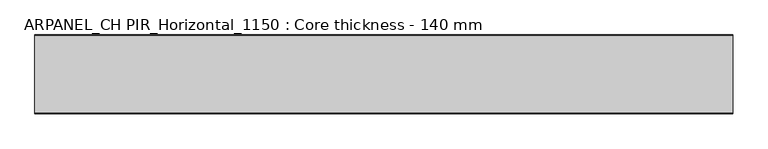
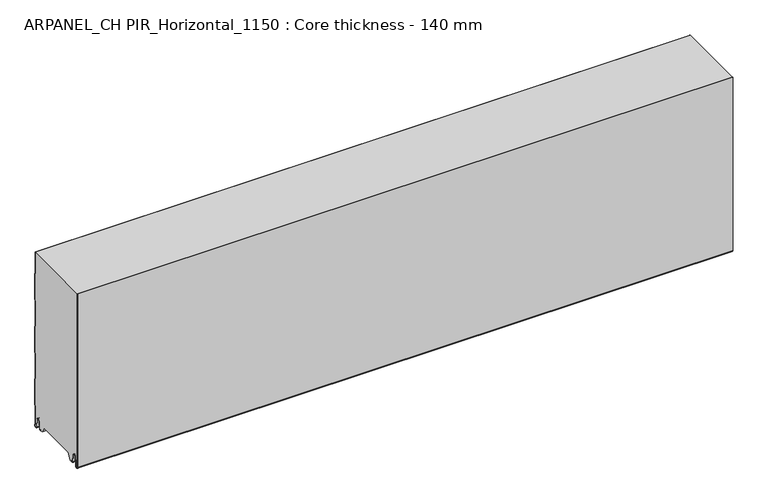
"""IFC4 building model written with IfcOpenShell, lengths in millimetres: plate geometry, ARPANEL_CH PIR_Horizontal_1150 : Core thickness - 140 mm."""

from ifc_helpers import new_model, si_unit, frame, origin, place, context, project, spatial, polyline, circle_curve, source, transform, mapped, element, save
from ifc_brep_helpers import plane_surface, cylinder_surface, revolved_surface, advanced_brep


def arpanel_ch_pir_horizontal_1150_core_thickness_140_mm_b8ecb5e9(model_context):
    return source(origin(), model_context, "Body", "AdvancedBrep", [
        advanced_brep(
        [(620.0, -139.9996949, 3.0900682), (620.0, -133.81449, 2.7875612), (620.0, -132.197116, 19.2828169), (620.0, -129.1776715, 21.9898782), (620.0, -126.1582271, 19.2828169), (620.0, -124.7725998, 5.1510966), (620.0, -120.3830995, 5.365779), (620.0, -121.1830995, 5.365779), (620.0, -123.9764178, 5.2291629), (620.0, -125.3620451, 19.3608832), (620.0, -129.1776715, 22.7899182), (620.0, -132.9932979, 19.3608832), (620.0, -134.6106719, 2.8656275), (620.0, -139.1996949, 3.0900682), (620.0, -139.2, 350.0), (620.0, -139.9996949, 350.0), (-620.0, -139.1996949, 3.0900682), (-620.0, -134.6106719, 2.8656275), (-620.0, -132.9932979, 19.3608832), (-620.0, -129.1776715, 22.7899182), (-620.0, -125.3620451, 19.3608832), (-620.0, -123.9764178, 5.2291629), (-620.0, -121.1830995, 5.365779), (-620.0, -120.3830995, 5.365779), (-620.0, -124.7725998, 5.1510966), (-620.0, -126.1582271, 19.2828169), (-620.0, -129.1776715, 21.9898782), (-620.0, -132.197116, 19.2828169), (-620.0, -133.81449, 2.7875612), (-620.0, -139.9996949, 3.0900682), (-620.0, -139.9996949, 350.0), (-620.0, -139.2, 350.0)],
        [
            (0, 1, circle_curve(frame((620.0, -136.8996949, 3.0900682), z_axis=(1.0, 0.0, 0.0), x_axis=(0.0, 0.0, -1.0)), 3.1)),
            (1, 2),
            (2, 3, circle_curve(frame((620.0, -129.2114338, 18.9900682), z_axis=(-1.0, 0.0, 0.0), x_axis=(0.0, 0.0, -1.0)), 3.0)),
            (3, 4, circle_curve(frame((620.0, -129.1439093, 18.9900682), z_axis=(-1.0, 0.0, 0.0), x_axis=(0.0, 0.0, -1.0)), 3.0)),
            (4, 5),
            (5, 6, circle_curve(frame((620.0, -122.5830995, 5.365779), z_axis=(1.0, 0.0, 0.0), x_axis=(0.0, 0.0, -1.0)), 2.2)),
            (6, 7),
            (7, 8, circle_curve(frame((620.0, -122.5830995, 5.365779), z_axis=(-1.0, 0.0, 0.0), x_axis=(0.0, 0.0, -1.0)), 1.4)),
            (8, 9),
            (9, 10, circle_curve(frame((620.0, -129.1439093, 18.9900682), z_axis=(1.0, 0.0, 0.0), x_axis=(0.0, 0.0, -1.0)), 3.8)),
            (10, 11, circle_curve(frame((620.0, -129.2114338, 18.9900682), z_axis=(1.0, 0.0, 0.0), x_axis=(0.0, 0.0, -1.0)), 3.8)),
            (11, 12),
            (12, 13, circle_curve(frame((620.0, -136.8996949, 3.0900682), z_axis=(-1.0, 0.0, 0.0), x_axis=(0.0, 0.0, -1.0)), 2.3)),
            (13, 14),
            (14, 15),
            (15, 0),
            (16, 17, circle_curve(frame((-620.0, -136.8996949, 3.0900682), z_axis=(1.0, 0.0, 0.0), x_axis=(0.0, 0.0, -1.0)), 2.3)),
            (17, 18),
            (18, 19, circle_curve(frame((-620.0, -129.2114338, 18.9900682), z_axis=(-1.0, 0.0, 0.0), x_axis=(0.0, 0.0, -1.0)), 3.8)),
            (19, 20, circle_curve(frame((-620.0, -129.1439093, 18.9900682), z_axis=(-1.0, 0.0, 0.0), x_axis=(0.0, 0.0, -1.0)), 3.8)),
            (20, 21),
            (21, 22, circle_curve(frame((-620.0, -122.5830995, 5.365779), z_axis=(1.0, 0.0, 0.0), x_axis=(0.0, 0.0, -1.0)), 1.4)),
            (22, 23),
            (23, 24, circle_curve(frame((-620.0, -122.5830995, 5.365779), z_axis=(-1.0, 0.0, 0.0), x_axis=(0.0, 0.0, -1.0)), 2.2)),
            (24, 25),
            (25, 26, circle_curve(frame((-620.0, -129.1439093, 18.9900682), z_axis=(1.0, 0.0, 0.0), x_axis=(0.0, 0.0, -1.0)), 3.0)),
            (26, 27, circle_curve(frame((-620.0, -129.2114338, 18.9900682), z_axis=(1.0, 0.0, 0.0), x_axis=(0.0, 0.0, -1.0)), 3.0)),
            (27, 28),
            (28, 29, circle_curve(frame((-620.0, -136.8996949, 3.0900682), z_axis=(-1.0, 0.0, 0.0), x_axis=(0.0, 0.0, -1.0)), 3.1)),
            (29, 30),
            (30, 31),
            (31, 16),
            (13, 16),
            (31, 14),
            (29, 0),
            (15, 30),
            (12, 17),
            (11, 18),
            (10, 19),
            (9, 20),
            (8, 21),
            (7, 22),
            (6, 23),
            (5, 24),
            (4, 25),
            (3, 26),
            (2, 27),
            (1, 28),
        ],
        [
            plane_surface(frame((620.0, -140.0, 0.0), z_axis=(1.0, 0.0, 0.0), x_axis=(0.0, 1.0, 0.0))),
            plane_surface(frame((-620.0, -140.0, 0.0), z_axis=(-1.0, 0.0, 0.0), x_axis=(0.0, 1.0, 0.0))),
            plane_surface(frame((620.0, -139.2, 3.0900682), z_axis=(0.0, 1.0, 0.0), x_axis=(-1.0, 0.0, 0.0))),
            plane_surface(frame((620.0, -139.9996949, 1143.9000005), z_axis=(0.0, -1.0, 0.0), x_axis=(-1.0, 0.0, 0.0))),
            revolved_surface(polyline([(-620.0, -136.8996949, 0.7900682000000003), (620.0, -136.8996949, 0.7900682000000003)]), (620.0, -136.8996949, 3.0900682), (-1.0, 0.0, 0.0)),
            plane_surface(frame((620.0, -132.9932979, 19.3608832), z_axis=(0.0, -0.9952273999818314, 0.09758289975914787), x_axis=(-1.0, 0.0, 0.0))),
            cylinder_surface(frame((620.0, -129.2114338, 18.9900682), z_axis=(1.0, 0.0, 0.0), x_axis=(0.0, 0.0, -1.0)), 3.8),
            cylinder_surface(frame((620.0, -129.1439093, 18.9900682), z_axis=(1.0, 0.0, 0.0), x_axis=(0.0, 0.0, -1.0)), 3.8),
            plane_surface(frame((620.0, -123.9764178, 5.2291629), z_axis=(0.0, 0.9952273999818297, 0.09758289975916531), x_axis=(-1.0, 0.0, 0.0))),
            revolved_surface(polyline([(-620.0, -122.5830995, 3.965779), (620.0, -122.5830995, 3.965779)]), (620.0, -122.5830995, 5.365779), (-1.0, 0.0, 0.0)),
            plane_surface(frame((620.0, -120.3830995, 5.365779), z_axis=(0.0, 0.0, 1.0), x_axis=(-1.0, 0.0, 0.0))),
            cylinder_surface(frame((620.0, -122.5830995, 5.365779), z_axis=(1.0, 0.0, 0.0), x_axis=(0.0, 0.0, -1.0)), 2.2),
            plane_surface(frame((620.0, -126.1582271, 19.2828169), z_axis=(0.0, -0.9952273999818296, -0.09758289975916527), x_axis=(-1.0, 0.0, 0.0))),
            revolved_surface(polyline([(-620.0, -129.1439093, 15.9900682), (620.0, -129.1439093, 15.9900682)]), (620.0, -129.1439093, 18.9900682), (-1.0, 0.0, 0.0)),
            revolved_surface(polyline([(-620.0, -129.2114338, 15.9900682), (620.0, -129.2114338, 15.9900682)]), (620.0, -129.2114338, 18.9900682), (-1.0, 0.0, 0.0)),
            plane_surface(frame((620.0, -133.81449, 2.7875612), z_axis=(0.0, 0.9952273999818314, -0.09758289975914787), x_axis=(-1.0, 0.0, 0.0))),
            cylinder_surface(frame((620.0, -136.8996949, 3.0900682), z_axis=(1.0, 0.0, 0.0), x_axis=(0.0, 0.0, -1.0)), 3.1),
            plane_surface(frame((-620.0, 134.0533409, 350.0), z_axis=(0.0, 0.0, 1.0), x_axis=(1.0, 0.0, 0.0))),
        ],
        [
            (0, [[1, 2, 3, 4, 5, 6, 7, 8, 9, 10, 11, 12, 13, 14, 15, 16]]),
            (1, [[17, 18, 19, 20, 21, 22, 23, 24, 25, 26, 27, 28, 29, 30, 31, 32]]),
            (2, [[33, -32, 34, -14]]),
            (3, [[35, -16, 36, -30]]),
            (4, [[-13, 37, -17, -33]]),
            (5, [[-12, 38, -18, -37]]),
            (6, [[-11, 39, -19, -38]]),
            (7, [[-10, 40, -20, -39]]),
            (8, [[-9, 41, -21, -40]]),
            (9, [[-8, 42, -22, -41]]),
            (10, [[-7, 43, -23, -42]]),
            (11, [[-6, 44, -24, -43]]),
            (12, [[-5, 45, -25, -44]]),
            (13, [[-4, 46, -26, -45]]),
            (14, [[-3, 47, -27, -46]]),
            (15, [[-2, 48, -28, -47]]),
            (16, [[-1, -35, -29, -48]]),
            (17, [[-15, -34, -31, -36]]),
        ],
    ),
        advanced_brep(
        [(620.0, -109.873448, 15.1417681), (620.0, -30.126552, 15.1417681), (620.0, -23.4071318, 3.165779), (620.0, -17.4169005, 3.165779), (620.0, -19.6169005, 5.365779), (620.0, -18.8169005, 5.365779), (620.0, -16.0235822, 5.2291629), (620.0, -14.6379549, 19.3608832), (620.0, -10.8223285, 22.7899182), (620.0, -7.0067021, 19.3608832), (620.0, -5.3893281, 2.8656275), (620.0, -1.0794848, 4.1883784), (620.0, -1.5003051, 5.8439114), (620.0, -1.5003051, 42.0511837), (620.0, -1.0971009, 43.4705951), (620.0, -0.8, 44.5229805), (620.0, -0.8, 94.6827637), (620.0, -1.0986697, 95.7341795), (620.0, -1.5003051, 97.1545605), (620.0, -1.5003051, 147.3143437), (620.0, -1.0971009, 148.7337551), (620.0, -0.8, 149.7861405), (620.0, -0.8, 199.9459237), (620.0, -1.0986697, 200.9973395), (620.0, -1.5003051, 202.4177205), (620.0, -1.5003051, 252.5775037), (620.0, -1.0971009, 253.9969151), (620.0, -0.8, 255.0493005), (620.0, -0.8, 305.2090837), (620.0, -1.0986697, 306.2604995), (620.0, -1.5003051, 307.6808805), (620.0, -1.5003051, 350.0), (620.0, -139.2, 350.0), (620.0, -139.2, 3.0900682), (620.0, -134.6106719, 2.8656275), (620.0, -132.9932979, 19.3608832), (620.0, -129.1776715, 22.7899182), (620.0, -125.3620451, 19.3608832), (620.0, -123.9764178, 5.2291629), (620.0, -121.1830995, 5.365779), (620.0, -120.3830995, 5.365779), (620.0, -122.5830995, 3.165779), (620.0, -116.5928682, 3.165779), (-620.0, -30.126552, 15.1417681), (-620.0, -109.873448, 15.1417681), (-620.0, -116.5928682, 3.165779), (-620.0, -122.5830995, 3.165779), (-620.0, -120.3830995, 5.365779), (-620.0, -121.1830995, 5.365779), (-620.0, -123.9764178, 5.2291629), (-620.0, -125.3620451, 19.3608832), (-620.0, -129.1776715, 22.7899182), (-620.0, -132.9932979, 19.3608832), (-620.0, -134.6106719, 2.8656275), (-620.0, -139.1996949, 3.0900682), (-620.0, -139.2, 350.0), (-620.0, -1.5003051, 350.0), (-620.0, -1.5003051, 307.6808805), (-620.0, -1.0971009, 306.2614691), (-620.0, -0.8, 305.2090837), (-620.0, -0.8, 255.0493005), (-620.0, -1.0986697, 253.9978846), (-620.0, -1.5003051, 252.5775037), (-620.0, -1.5003051, 202.4177205), (-620.0, -1.0971009, 200.9983091), (-620.0, -0.8, 199.9459237), (-620.0, -0.8, 149.7861405), (-620.0, -1.0986697, 148.7347246), (-620.0, -1.5003051, 147.3143437), (-620.0, -1.5003051, 97.1545605), (-620.0, -1.0971009, 95.7351491), (-620.0, -0.8, 94.6827637), (-620.0, -0.8, 44.5229805), (-620.0, -1.0986697, 43.4715646), (-620.0, -1.5003051, 42.0511837), (-620.0, -1.5003051, 5.8439114), (-620.0, -1.0794848, 4.1883784), (-620.0, -5.3893281, 2.8656275), (-620.0, -7.0067021, 19.3608832), (-620.0, -10.8223285, 22.7899182), (-620.0, -14.6379549, 19.3608832), (-620.0, -16.0235822, 5.2291629), (-620.0, -18.8169005, 5.365779), (-620.0, -19.6169005, 5.365779), (-620.0, -17.4169005, 3.165779), (-620.0, -23.4071318, 3.165779)],
        [
            (0, 1),
            (1, 2),
            (2, 3),
            (3, 4, circle_curve(frame((620.0, -17.4169005, 5.365779), z_axis=(-1.0, 0.0, 0.0), x_axis=(0.0, 0.0, -1.0)), 2.2)),
            (4, 5),
            (5, 6, circle_curve(frame((620.0, -17.4169005, 5.365779), z_axis=(1.0, 0.0, 0.0), x_axis=(0.0, 0.0, -1.0)), 1.4)),
            (6, 7),
            (7, 8, circle_curve(frame((620.0, -10.8560907, 18.9900682), z_axis=(-1.0, 0.0, 0.0), x_axis=(0.0, 0.0, -1.0)), 3.8)),
            (8, 9, circle_curve(frame((620.0, -10.7885662, 18.9900682), z_axis=(-1.0, 0.0, 0.0), x_axis=(0.0, 0.0, -1.0)), 3.8)),
            (9, 10),
            (10, 11, circle_curve(frame((620.0, -3.1003051, 3.0900682), z_axis=(1.0, 0.0, 0.0), x_axis=(0.0, 0.0, -1.0)), 2.3)),
            (11, 12, circle_curve(frame((620.0, 1.9665895, 5.8439114), z_axis=(-1.0, 0.0, 0.0), x_axis=(0.0, 0.0, -1.0)), 3.4668946)),
            (12, 13),
            (13, 14, circle_curve(frame((620.0, 1.1996949, 42.0511837), z_axis=(-1.0, 0.0, 0.0), x_axis=(0.0, 0.0, -1.0)), 2.7)),
            (14, 15, circle_curve(frame((620.0, -2.8, 44.5229805), z_axis=(1.0, 0.0, 0.0), x_axis=(0.0, 0.0, -1.0)), 2.0)),
            (15, 16),
            (16, 17, circle_curve(frame((620.0, -2.8, 94.6827637), z_axis=(1.0, 0.0, 0.0), x_axis=(0.0, 0.0, -1.0)), 2.0)),
            (17, 18, circle_curve(frame((620.0, 1.1996949, 97.1545605), z_axis=(-1.0, 0.0, 0.0), x_axis=(0.0, 0.0, -1.0)), 2.7)),
            (18, 19),
            (19, 20, circle_curve(frame((620.0, 1.1996949, 147.3143437), z_axis=(-1.0, 0.0, 0.0), x_axis=(0.0, 0.0, -1.0)), 2.7)),
            (20, 21, circle_curve(frame((620.0, -2.8, 149.7861405), z_axis=(1.0, 0.0, 0.0), x_axis=(0.0, 0.0, -1.0)), 2.0)),
            (21, 22),
            (22, 23, circle_curve(frame((620.0, -2.8, 199.9459237), z_axis=(1.0, 0.0, 0.0), x_axis=(0.0, 0.0, -1.0)), 2.0)),
            (23, 24, circle_curve(frame((620.0, 1.1996949, 202.4177205), z_axis=(-1.0, 0.0, 0.0), x_axis=(0.0, 0.0, -1.0)), 2.7)),
            (24, 25),
            (25, 26, circle_curve(frame((620.0, 1.1996949, 252.5775037), z_axis=(-1.0, 0.0, 0.0), x_axis=(0.0, 0.0, -1.0)), 2.7)),
            (26, 27, circle_curve(frame((620.0, -2.8, 255.0493005), z_axis=(1.0, 0.0, 0.0), x_axis=(0.0, 0.0, -1.0)), 2.0)),
            (27, 28),
            (28, 29, circle_curve(frame((620.0, -2.8, 305.2090837), z_axis=(1.0, 0.0, 0.0), x_axis=(0.0, 0.0, -1.0)), 2.0)),
            (29, 30, circle_curve(frame((620.0, 1.1996949, 307.6808805), z_axis=(-1.0, 0.0, 0.0), x_axis=(0.0, 0.0, -1.0)), 2.7)),
            (30, 31),
            (31, 32),
            (32, 33),
            (33, 34, circle_curve(frame((620.0, -136.8996949, 3.0900682), z_axis=(1.0, 0.0, 0.0), x_axis=(0.0, 0.0, -1.0)), 2.3)),
            (34, 35),
            (35, 36, circle_curve(frame((620.0, -129.2114338, 18.9900682), z_axis=(-1.0, 0.0, 0.0), x_axis=(0.0, 0.0, -1.0)), 3.8)),
            (36, 37, circle_curve(frame((620.0, -129.1439093, 18.9900682), z_axis=(-1.0, 0.0, 0.0), x_axis=(0.0, 0.0, -1.0)), 3.8)),
            (37, 38),
            (38, 39, circle_curve(frame((620.0, -122.5830995, 5.365779), z_axis=(1.0, 0.0, 0.0), x_axis=(0.0, 0.0, -1.0)), 1.4)),
            (39, 40),
            (40, 41, circle_curve(frame((620.0, -122.5830995, 5.365779), z_axis=(-1.0, 0.0, 0.0), x_axis=(0.0, 0.0, -1.0)), 2.2)),
            (41, 42),
            (42, 0),
            (43, 44),
            (44, 45),
            (45, 46),
            (46, 47, circle_curve(frame((-620.0, -122.5830995, 5.365779), z_axis=(1.0, 0.0, 0.0), x_axis=(0.0, 0.0, -1.0)), 2.2)),
            (47, 48),
            (48, 49, circle_curve(frame((-620.0, -122.5830995, 5.365779), z_axis=(-1.0, 0.0, 0.0), x_axis=(0.0, 0.0, -1.0)), 1.4)),
            (49, 50),
            (50, 51, circle_curve(frame((-620.0, -129.1439093, 18.9900682), z_axis=(1.0, 0.0, 0.0), x_axis=(0.0, 0.0, -1.0)), 3.8)),
            (51, 52, circle_curve(frame((-620.0, -129.2114338, 18.9900682), z_axis=(1.0, 0.0, 0.0), x_axis=(0.0, 0.0, -1.0)), 3.8)),
            (52, 53),
            (53, 54, circle_curve(frame((-620.0, -136.8996949, 3.0900682), z_axis=(-1.0, 0.0, 0.0), x_axis=(0.0, 0.0, -1.0)), 2.3)),
            (54, 55),
            (55, 56),
            (56, 57),
            (57, 58, circle_curve(frame((-620.0, 1.1996949, 307.6808805), z_axis=(1.0, 0.0, 0.0), x_axis=(0.0, 0.0, -1.0)), 2.7)),
            (58, 59, circle_curve(frame((-620.0, -2.8, 305.2090837), z_axis=(-1.0, 0.0, 0.0), x_axis=(0.0, 0.0, -1.0)), 2.0)),
            (59, 60),
            (60, 61, circle_curve(frame((-620.0, -2.8, 255.0493005), z_axis=(-1.0, 0.0, 0.0), x_axis=(0.0, 0.0, -1.0)), 2.0)),
            (61, 62, circle_curve(frame((-620.0, 1.1996949, 252.5775037), z_axis=(1.0, 0.0, 0.0), x_axis=(0.0, 0.0, -1.0)), 2.7)),
            (62, 63),
            (63, 64, circle_curve(frame((-620.0, 1.1996949, 202.4177205), z_axis=(1.0, 0.0, 0.0), x_axis=(0.0, 0.0, -1.0)), 2.7)),
            (64, 65, circle_curve(frame((-620.0, -2.8, 199.9459237), z_axis=(-1.0, 0.0, 0.0), x_axis=(0.0, 0.0, -1.0)), 2.0)),
            (65, 66),
            (66, 67, circle_curve(frame((-620.0, -2.8, 149.7861405), z_axis=(-1.0, 0.0, 0.0), x_axis=(0.0, 0.0, -1.0)), 2.0)),
            (67, 68, circle_curve(frame((-620.0, 1.1996949, 147.3143437), z_axis=(1.0, 0.0, 0.0), x_axis=(0.0, 0.0, -1.0)), 2.7)),
            (68, 69),
            (69, 70, circle_curve(frame((-620.0, 1.1996949, 97.1545605), z_axis=(1.0, 0.0, 0.0), x_axis=(0.0, 0.0, -1.0)), 2.7)),
            (70, 71, circle_curve(frame((-620.0, -2.8, 94.6827637), z_axis=(-1.0, 0.0, 0.0), x_axis=(0.0, 0.0, -1.0)), 2.0)),
            (71, 72),
            (72, 73, circle_curve(frame((-620.0, -2.8, 44.5229805), z_axis=(-1.0, 0.0, 0.0), x_axis=(0.0, 0.0, -1.0)), 2.0)),
            (73, 74, circle_curve(frame((-620.0, 1.1996949, 42.0511837), z_axis=(1.0, 0.0, 0.0), x_axis=(0.0, 0.0, -1.0)), 2.7)),
            (74, 75),
            (75, 76, circle_curve(frame((-620.0, 1.9665895, 5.8439114), z_axis=(1.0, 0.0, 0.0), x_axis=(0.0, 0.0, -1.0)), 3.4668946)),
            (76, 77, circle_curve(frame((-620.0, -3.1003051, 3.0900682), z_axis=(-1.0, 0.0, 0.0), x_axis=(0.0, 0.0, -1.0)), 2.3)),
            (77, 78),
            (78, 79, circle_curve(frame((-620.0, -10.7885662, 18.9900682), z_axis=(1.0, 0.0, 0.0), x_axis=(0.0, 0.0, -1.0)), 3.8)),
            (79, 80, circle_curve(frame((-620.0, -10.8560907, 18.9900682), z_axis=(1.0, 0.0, 0.0), x_axis=(0.0, 0.0, -1.0)), 3.8)),
            (80, 81),
            (81, 82, circle_curve(frame((-620.0, -17.4169005, 5.365779), z_axis=(-1.0, 0.0, 0.0), x_axis=(0.0, 0.0, -1.0)), 1.4)),
            (82, 83),
            (83, 84, circle_curve(frame((-620.0, -17.4169005, 5.365779), z_axis=(1.0, 0.0, 0.0), x_axis=(0.0, 0.0, -1.0)), 2.2)),
            (84, 85),
            (85, 43),
            (1, 43),
            (85, 2),
            (0, 44),
            (42, 45),
            (64, 23),
            (22, 65),
            (63, 24),
            (62, 25),
            (61, 26),
            (60, 27),
            (59, 28),
            (58, 29),
            (57, 30),
            (56, 31),
            (54, 33),
            (32, 55),
            (84, 3),
            (41, 46),
            (83, 4),
            (82, 5),
            (81, 6),
            (80, 7),
            (79, 8),
            (78, 9),
            (77, 10),
            (76, 11),
            (75, 12),
            (74, 13),
            (73, 14),
            (72, 15),
            (71, 16),
            (70, 17),
            (69, 18),
            (68, 19),
            (67, 20),
            (66, 21),
            (53, 34),
            (52, 35),
            (51, 36),
            (50, 37),
            (49, 38),
            (48, 39),
            (47, 40),
        ],
        [
            plane_surface(frame((620.0, 0.0, 0.0), z_axis=(1.0, 0.0, 0.0), x_axis=(0.0, -1.0, 0.0))),
            plane_surface(frame((-620.0, 0.0, 0.0), z_axis=(-1.0, 0.0, 0.0), x_axis=(0.0, -1.0, 0.0))),
            plane_surface(frame((620.0, -30.126552, 15.1417681), z_axis=(0.0, -0.8721062992196836, -0.4893164649399687), x_axis=(-1.0, 0.0, 0.0))),
            plane_surface(frame((620.0, -109.873448, 15.1417681), z_axis=(0.0, 0.0, -1.0), x_axis=(-1.0, 0.0, 0.0))),
            plane_surface(frame((620.0, -116.8190247, 2.7627014), z_axis=(0.0, 0.8721062992196852, -0.48931646493996606), x_axis=(-1.0, 0.0, 0.0))),
            cylinder_surface(frame((750.0, -2.8, 199.9459237), z_axis=(-1.0, 0.0, 0.0), x_axis=(0.0, 0.0, -1.0)), 2.0),
            revolved_surface(polyline([(620.0, 1.1996949, 199.7177205), (-620.0, 1.1996949, 199.7177205)]), (750.0, 1.1996949, 202.4177205), (1.0, 0.0, 0.0)),
            plane_surface(frame((750.0, -1.5003051, 252.5775037), z_axis=(0.0, 1.0, 0.0), x_axis=(-1.0, 0.0, 0.0))),
            revolved_surface(polyline([(620.0, 1.1996949, 249.8775037), (-620.0, 1.1996949, 249.8775037)]), (750.0, 1.1996949, 252.5775037), (1.0, 0.0, 0.0)),
            cylinder_surface(frame((750.0, -2.8, 255.0493005), z_axis=(-1.0, 0.0, 0.0), x_axis=(0.0, 0.0, -1.0)), 2.0),
            plane_surface(frame((750.0, -0.8, 305.2090837), z_axis=(0.0, 1.0, 0.0), x_axis=(-1.0, 0.0, 0.0))),
            cylinder_surface(frame((750.0, -2.8, 305.2090837), z_axis=(-1.0, 0.0, 0.0), x_axis=(0.0, 0.0, -1.0)), 2.0),
            revolved_surface(polyline([(620.0, 1.1996949, 304.9808805), (-620.0, 1.1996949, 304.9808805)]), (750.0, 1.1996949, 307.6808805), (1.0, 0.0, 0.0)),
            plane_surface(frame((750.0, -1.5003051, 357.8406637), z_axis=(0.0, 1.0, 0.0), x_axis=(-1.0, 0.0, 0.0))),
            plane_surface(frame((750.0, -139.2, 3.0900682), z_axis=(0.0, -1.0, 0.0), x_axis=(-1.0, 0.0, 0.0))),
            plane_surface(frame((-620.0, -122.5830995, 3.165779), z_axis=(0.0, 0.0, -1.0), x_axis=(1.0, 0.0, 0.0))),
            revolved_surface(polyline([(620.0, -17.4169005, 3.1657789999999997), (-620.0, -17.4169005, 3.1657789999999997)]), (750.0, -17.4169005, 5.365779), (1.0, 0.0, 0.0)),
            plane_surface(frame((750.0, -18.8169005, 5.365779), z_axis=(0.0, 0.0, -1.0), x_axis=(-1.0, 0.0, 0.0))),
            cylinder_surface(frame((750.0, -17.4169005, 5.365779), z_axis=(-1.0, 0.0, 0.0), x_axis=(0.0, 0.0, -1.0)), 1.4),
            plane_surface(frame((750.0, -14.6379549, 19.3608832), z_axis=(0.0, 0.9952273999818297, -0.09758289975916531), x_axis=(-1.0, 0.0, 0.0))),
            revolved_surface(polyline([(620.0, -10.8560907, 15.190068199999999), (-620.0, -10.8560907, 15.190068199999999)]), (750.0, -10.8560907, 18.9900682), (1.0, 0.0, 0.0)),
            revolved_surface(polyline([(620.0, -10.7885662, 15.190068199999999), (-620.0, -10.7885662, 15.190068199999999)]), (750.0, -10.7885662, 18.9900682), (1.0, 0.0, 0.0)),
            plane_surface(frame((750.0, -5.3893281, 2.8656275), z_axis=(0.0, -0.9952273999818314, -0.09758289975914787), x_axis=(-1.0, 0.0, 0.0))),
            cylinder_surface(frame((750.0, -3.1003051, 3.0900682), z_axis=(-1.0, 0.0, 0.0), x_axis=(0.0, 0.0, -1.0)), 2.3),
            revolved_surface(polyline([(620.0, 1.9665895, 2.3770168), (-620.0, 1.9665895, 2.3770168)]), (750.0, 1.9665895, 5.8439114), (1.0, 0.0, 0.0)),
            plane_surface(frame((750.0, -1.5003051, 42.0511837), z_axis=(0.0, 1.0, 0.0), x_axis=(-1.0, 0.0, 0.0))),
            revolved_surface(polyline([(620.0, 1.1996949, 39.3511837), (-620.0, 1.1996949, 39.3511837)]), (750.0, 1.1996949, 42.0511837), (1.0, 0.0, 0.0)),
            cylinder_surface(frame((750.0, -2.8, 44.5229805), z_axis=(-1.0, 0.0, 0.0), x_axis=(0.0, 0.0, -1.0)), 2.0),
            plane_surface(frame((750.0, -0.8, 94.6827637), z_axis=(0.0, 1.0, 0.0), x_axis=(-1.0, 0.0, 0.0))),
            cylinder_surface(frame((750.0, -2.8, 94.6827637), z_axis=(-1.0, 0.0, 0.0), x_axis=(0.0, 0.0, -1.0)), 2.0),
            revolved_surface(polyline([(620.0, 1.1996949, 94.4545605), (-620.0, 1.1996949, 94.4545605)]), (750.0, 1.1996949, 97.1545605), (1.0, 0.0, 0.0)),
            plane_surface(frame((750.0, -1.5003051, 147.3143437), z_axis=(0.0, 1.0, 0.0), x_axis=(-1.0, 0.0, 0.0))),
            revolved_surface(polyline([(620.0, 1.1996949, 144.6143437), (-620.0, 1.1996949, 144.6143437)]), (750.0, 1.1996949, 147.3143437), (1.0, 0.0, 0.0)),
            cylinder_surface(frame((750.0, -2.8, 149.7861405), z_axis=(-1.0, 0.0, 0.0), x_axis=(0.0, 0.0, -1.0)), 2.0),
            plane_surface(frame((750.0, -0.8, 199.9459237), z_axis=(0.0, 1.0, 0.0), x_axis=(-1.0, 0.0, 0.0))),
            cylinder_surface(frame((750.0, -136.8996949, 3.0900682), z_axis=(-1.0, 0.0, 0.0), x_axis=(0.0, 0.0, -1.0)), 2.3),
            plane_surface(frame((750.0, -132.9932979, 19.3608832), z_axis=(0.0, 0.9952273999818314, -0.09758289975914787), x_axis=(-1.0, 0.0, 0.0))),
            revolved_surface(polyline([(620.0, -129.2114338, 15.190068199999999), (-620.0, -129.2114338, 15.190068199999999)]), (750.0, -129.2114338, 18.9900682), (1.0, 0.0, 0.0)),
            revolved_surface(polyline([(620.0, -129.1439093, 15.190068199999999), (-620.0, -129.1439093, 15.190068199999999)]), (750.0, -129.1439093, 18.9900682), (1.0, 0.0, 0.0)),
            plane_surface(frame((750.0, -123.9764178, 5.2291629), z_axis=(0.0, -0.9952273999818297, -0.09758289975916531), x_axis=(-1.0, 0.0, 0.0))),
            cylinder_surface(frame((750.0, -122.5830995, 5.365779), z_axis=(-1.0, 0.0, 0.0), x_axis=(0.0, 0.0, -1.0)), 1.4),
            plane_surface(frame((750.0, -120.3830995, 5.365779), z_axis=(0.0, 0.0, -1.0), x_axis=(-1.0, 0.0, 0.0))),
            revolved_surface(polyline([(620.0, -122.5830995, 3.1657789999999997), (-620.0, -122.5830995, 3.1657789999999997)]), (750.0, -122.5830995, 5.365779), (1.0, 0.0, 0.0)),
            plane_surface(frame((-620.0, 134.0533409, 350.0), z_axis=(0.0, 0.0, 1.0), x_axis=(1.0, 0.0, 0.0))),
        ],
        [
            (0, [[1, 2, 3, 4, 5, 6, 7, 8, 9, 10, 11, 12, 13, 14, 15, 16, 17, 18, 19, 20, 21, 22, 23, 24, 25, 26, 27, 28, 29, 30, 31, 32, 33, 34, 35, 36, 37, 38, 39, 40, 41, 42, 43]]),
            (1, [[44, 45, 46, 47, 48, 49, 50, 51, 52, 53, 54, 55, 56, 57, 58, 59, 60, 61, 62, 63, 64, 65, 66, 67, 68, 69, 70, 71, 72, 73, 74, 75, 76, 77, 78, 79, 80, 81, 82, 83, 84, 85, 86]]),
            (2, [[87, -86, 88, -2]]),
            (3, [[-1, 89, -44, -87]]),
            (4, [[-89, -43, 90, -45]]),
            (5, [[91, -23, 92, -65]]),
            (6, [[-91, -64, 93, -24]]),
            (7, [[-93, -63, 94, -25]]),
            (8, [[-94, -62, 95, -26]]),
            (9, [[-95, -61, 96, -27]]),
            (10, [[-96, -60, 97, -28]]),
            (11, [[-97, -59, 98, -29]]),
            (12, [[-98, -58, 99, -30]]),
            (13, [[-99, -57, 100, -31]]),
            (14, [[101, -33, 102, -55]]),
            (15, [[-3, -88, -85, 103]]),
            (15, [[-42, 104, -46, -90]]),
            (16, [[105, -4, -103, -84]]),
            (17, [[-105, -83, 106, -5]]),
            (18, [[-106, -82, 107, -6]]),
            (19, [[-107, -81, 108, -7]]),
            (20, [[-108, -80, 109, -8]]),
            (21, [[-109, -79, 110, -9]]),
            (22, [[-110, -78, 111, -10]]),
            (23, [[-111, -77, 112, -11]]),
            (24, [[-112, -76, 113, -12]]),
            (25, [[-113, -75, 114, -13]]),
            (26, [[-114, -74, 115, -14]]),
            (27, [[-115, -73, 116, -15]]),
            (28, [[-116, -72, 117, -16]]),
            (29, [[-117, -71, 118, -17]]),
            (30, [[-118, -70, 119, -18]]),
            (31, [[-119, -69, 120, -19]]),
            (32, [[-120, -68, 121, -20]]),
            (33, [[-121, -67, 122, -21]]),
            (34, [[-122, -66, -92, -22]]),
            (35, [[-101, -54, 123, -34]]),
            (36, [[-123, -53, 124, -35]]),
            (37, [[-124, -52, 125, -36]]),
            (38, [[-125, -51, 126, -37]]),
            (39, [[-126, -50, 127, -38]]),
            (40, [[-127, -49, 128, -39]]),
            (41, [[-128, -48, 129, -40]]),
            (42, [[-129, -47, -104, -41]]),
            (43, [[-100, -56, -102, -32]]),
        ],
    ),
        advanced_brep(
        [(-620.0, -0.7003051, 307.6808805), (-620.0, -0.4016712, 306.6295226), (-620.0, -0.0003051, 305.2090837), (-620.0, -0.0003051, 255.0493005), (-620.0, -0.4034608, 253.6299674), (-620.0, -0.7003051, 252.5775037), (-620.0, -0.7003051, 202.4177205), (-620.0, -0.4016712, 201.3663626), (-620.0, -0.0003051, 199.9459237), (-620.0, -0.0003051, 149.7861405), (-620.0, -0.4034608, 148.3668074), (-620.0, -0.7003051, 147.3143437), (-620.0, -0.7003051, 97.1545605), (-620.0, -0.4016712, 96.1032026), (-620.0, -0.0003051, 94.6827637), (-620.0, -0.0003051, 44.5229805), (-620.0, -0.4034608, 43.1036474), (-620.0, -0.7003051, 42.0511837), (-620.0, -0.7003051, 6.8391397), (-620.0, -0.2091664, 4.208691), (-620.0, -6.18551, 2.7875612), (-620.0, -7.802884, 19.2828169), (-620.0, -10.8223285, 21.9898782), (-620.0, -13.8417729, 19.2828169), (-620.0, -15.2274002, 5.1510966), (-620.0, -19.6169005, 5.365779), (-620.0, -18.8169005, 5.365779), (-620.0, -16.0235822, 5.2291629), (-620.0, -14.6379549, 19.3608832), (-620.0, -10.8223285, 22.7899182), (-620.0, -7.0067021, 19.3608832), (-620.0, -5.3893281, 2.8656275), (-620.0, -1.0794848, 4.1883784), (-620.0, -1.5003051, 5.8439114), (-620.0, -1.5003051, 42.0511837), (-620.0, -1.0971009, 43.4705951), (-620.0, -0.8, 44.5229805), (-620.0, -0.8, 94.6827637), (-620.0, -1.0986697, 95.7341795), (-620.0, -1.5003051, 97.1545605), (-620.0, -1.5003051, 147.3143437), (-620.0, -1.0971009, 148.7337551), (-620.0, -0.8, 149.7861405), (-620.0, -0.8, 199.9459237), (-620.0, -1.0986697, 200.9973395), (-620.0, -1.5003051, 202.4177205), (-620.0, -1.5003051, 252.5775037), (-620.0, -1.0971009, 253.9969151), (-620.0, -0.8, 255.0493005), (-620.0, -0.8, 305.2090837), (-620.0, -1.0986697, 306.2604995), (-620.0, -1.5003051, 307.6808805), (-620.0, -1.5003051, 350.0), (-620.0, -0.7003051, 350.0), (620.0, -1.5003051, 307.6808805), (620.0, -1.0971009, 306.2614691), (620.0, -0.8, 305.2090837), (620.0, -0.8, 255.0493005), (620.0, -1.0986697, 253.9978846), (620.0, -1.5003051, 252.5775037), (620.0, -1.5003051, 202.4177205), (620.0, -1.0971009, 200.9983091), (620.0, -0.8, 199.9459237), (620.0, -0.8, 149.7861405), (620.0, -1.0986697, 148.7347246), (620.0, -1.5003051, 147.3143437), (620.0, -1.5003051, 97.1545605), (620.0, -1.0971009, 95.7351491), (620.0, -0.8, 94.6827637), (620.0, -0.8, 44.5229805), (620.0, -1.0986697, 43.4715646), (620.0, -1.5003051, 42.0511837), (620.0, -1.5003051, 5.8439114), (620.0, -1.0794848, 4.1883784), (620.0, -5.3893281, 2.8656275), (620.0, -7.0067021, 19.3608832), (620.0, -10.8223285, 22.7899182), (620.0, -14.6379549, 19.3608832), (620.0, -16.0235822, 5.2291629), (620.0, -18.8169005, 5.365779), (620.0, -19.6169005, 5.365779), (620.0, -15.2274002, 5.1510966), (620.0, -13.8417729, 19.2828169), (620.0, -10.8223285, 21.9898782), (620.0, -7.802884, 19.2828169), (620.0, -6.18551, 2.7875612), (620.0, -0.2091664, 4.208691), (620.0, -0.7003051, 6.8391397), (620.0, -0.7003051, 42.0511837), (620.0, -0.4016712, 43.1025415), (620.0, -0.0003051, 44.5229805), (620.0, -0.0003051, 94.6827637), (620.0, -0.4034608, 96.1020968), (620.0, -0.7003051, 97.1545605), (620.0, -0.7003051, 147.3143437), (620.0, -0.4016712, 148.3657015), (620.0, -0.0003051, 149.7861405), (620.0, -0.0003051, 199.9459237), (620.0, -0.4034608, 201.3652568), (620.0, -0.7003051, 202.4177205), (620.0, -0.7003051, 252.5775037), (620.0, -0.4016712, 253.6288615), (620.0, -0.0003051, 255.0493005), (620.0, -0.0003051, 305.2090837), (620.0, -0.4034608, 306.6284168), (620.0, -0.7003051, 307.6808805), (620.0, -0.7003051, 350.0), (620.0, -1.5003051, 350.0)],
        [
            (0, 1, circle_curve(frame((-620.0, 1.2996949, 307.6808805), z_axis=(1.0, 0.0, 0.0), x_axis=(0.0, 0.0, -1.0)), 2.0)),
            (1, 2, circle_curve(frame((-620.0, -2.7003051, 305.2090837), z_axis=(-1.0, 0.0, 0.0), x_axis=(0.0, 0.0, -1.0)), 2.7)),
            (2, 3),
            (3, 4, circle_curve(frame((-620.0, -2.7003051, 255.0493005), z_axis=(-1.0, 0.0, 0.0), x_axis=(0.0, 0.0, -1.0)), 2.7)),
            (4, 5, circle_curve(frame((-620.0, 1.2996949, 252.5775037), z_axis=(1.0, 0.0, 0.0), x_axis=(0.0, 0.0, -1.0)), 2.0)),
            (5, 6),
            (6, 7, circle_curve(frame((-620.0, 1.2996949, 202.4177205), z_axis=(1.0, 0.0, 0.0), x_axis=(0.0, 0.0, -1.0)), 2.0)),
            (7, 8, circle_curve(frame((-620.0, -2.7003051, 199.9459237), z_axis=(-1.0, 0.0, 0.0), x_axis=(0.0, 0.0, -1.0)), 2.7)),
            (8, 9),
            (9, 10, circle_curve(frame((-620.0, -2.7003051, 149.7861405), z_axis=(-1.0, 0.0, 0.0), x_axis=(0.0, 0.0, -1.0)), 2.7)),
            (10, 11, circle_curve(frame((-620.0, 1.2996949, 147.3143437), z_axis=(1.0, 0.0, 0.0), x_axis=(0.0, 0.0, -1.0)), 2.0)),
            (11, 12),
            (12, 13, circle_curve(frame((-620.0, 1.2996949, 97.1545605), z_axis=(1.0, 0.0, 0.0), x_axis=(0.0, 0.0, -1.0)), 2.0)),
            (13, 14, circle_curve(frame((-620.0, -2.7003051, 94.6827637), z_axis=(-1.0, 0.0, 0.0), x_axis=(0.0, 0.0, -1.0)), 2.7)),
            (14, 15),
            (15, 16, circle_curve(frame((-620.0, -2.7003051, 44.5229805), z_axis=(-1.0, 0.0, 0.0), x_axis=(0.0, 0.0, -1.0)), 2.7)),
            (16, 17, circle_curve(frame((-620.0, 1.2996949, 42.0511837), z_axis=(1.0, 0.0, 0.0), x_axis=(0.0, 0.0, -1.0)), 2.0)),
            (17, 18),
            (18, 19, circle_curve(frame((-620.0, 6.5893647, 6.8391397), z_axis=(1.0, 0.0, 0.0), x_axis=(0.0, 0.0, -1.0)), 7.2896698)),
            (19, 20, circle_curve(frame((-620.0, -3.1003051, 3.0900682), z_axis=(-1.0, 0.0, 0.0), x_axis=(0.0, 0.0, -1.0)), 3.1)),
            (20, 21),
            (21, 22, circle_curve(frame((-620.0, -10.7885662, 18.9900682), z_axis=(1.0, 0.0, 0.0), x_axis=(0.0, 0.0, -1.0)), 3.0)),
            (22, 23, circle_curve(frame((-620.0, -10.8560907, 18.9900682), z_axis=(1.0, 0.0, 0.0), x_axis=(0.0, 0.0, -1.0)), 3.0)),
            (23, 24),
            (24, 25, circle_curve(frame((-620.0, -17.4169005, 5.365779), z_axis=(-1.0, 0.0, 0.0), x_axis=(0.0, 0.0, -1.0)), 2.2)),
            (25, 26),
            (26, 27, circle_curve(frame((-620.0, -17.4169005, 5.365779), z_axis=(1.0, 0.0, 0.0), x_axis=(0.0, 0.0, -1.0)), 1.4)),
            (27, 28),
            (28, 29, circle_curve(frame((-620.0, -10.8560907, 18.9900682), z_axis=(-1.0, 0.0, 0.0), x_axis=(0.0, 0.0, -1.0)), 3.8)),
            (29, 30, circle_curve(frame((-620.0, -10.7885662, 18.9900682), z_axis=(-1.0, 0.0, 0.0), x_axis=(0.0, 0.0, -1.0)), 3.8)),
            (30, 31),
            (31, 32, circle_curve(frame((-620.0, -3.1003051, 3.0900682), z_axis=(1.0, 0.0, 0.0), x_axis=(0.0, 0.0, -1.0)), 2.3)),
            (32, 33, circle_curve(frame((-620.0, 1.9665895, 5.8439114), z_axis=(-1.0, 0.0, 0.0), x_axis=(0.0, 0.0, -1.0)), 3.4668946)),
            (33, 34),
            (34, 35, circle_curve(frame((-620.0, 1.1996949, 42.0511837), z_axis=(-1.0, 0.0, 0.0), x_axis=(0.0, 0.0, -1.0)), 2.7)),
            (35, 36, circle_curve(frame((-620.0, -2.8, 44.5229805), z_axis=(1.0, 0.0, 0.0), x_axis=(0.0, 0.0, -1.0)), 2.0)),
            (36, 37),
            (37, 38, circle_curve(frame((-620.0, -2.8, 94.6827637), z_axis=(1.0, 0.0, 0.0), x_axis=(0.0, 0.0, -1.0)), 2.0)),
            (38, 39, circle_curve(frame((-620.0, 1.1996949, 97.1545605), z_axis=(-1.0, 0.0, 0.0), x_axis=(0.0, 0.0, -1.0)), 2.7)),
            (39, 40),
            (40, 41, circle_curve(frame((-620.0, 1.1996949, 147.3143437), z_axis=(-1.0, 0.0, 0.0), x_axis=(0.0, 0.0, -1.0)), 2.7)),
            (41, 42, circle_curve(frame((-620.0, -2.8, 149.7861405), z_axis=(1.0, 0.0, 0.0), x_axis=(0.0, 0.0, -1.0)), 2.0)),
            (42, 43),
            (43, 44, circle_curve(frame((-620.0, -2.8, 199.9459237), z_axis=(1.0, 0.0, 0.0), x_axis=(0.0, 0.0, -1.0)), 2.0)),
            (44, 45, circle_curve(frame((-620.0, 1.1996949, 202.4177205), z_axis=(-1.0, 0.0, 0.0), x_axis=(0.0, 0.0, -1.0)), 2.7)),
            (45, 46),
            (46, 47, circle_curve(frame((-620.0, 1.1996949, 252.5775037), z_axis=(-1.0, 0.0, 0.0), x_axis=(0.0, 0.0, -1.0)), 2.7)),
            (47, 48, circle_curve(frame((-620.0, -2.8, 255.0493005), z_axis=(1.0, 0.0, 0.0), x_axis=(0.0, 0.0, -1.0)), 2.0)),
            (48, 49),
            (49, 50, circle_curve(frame((-620.0, -2.8, 305.2090837), z_axis=(1.0, 0.0, 0.0), x_axis=(0.0, 0.0, -1.0)), 2.0)),
            (50, 51, circle_curve(frame((-620.0, 1.1996949, 307.6808805), z_axis=(-1.0, 0.0, 0.0), x_axis=(0.0, 0.0, -1.0)), 2.7)),
            (51, 52),
            (52, 53),
            (53, 0),
            (54, 55, circle_curve(frame((620.0, 1.1996949, 307.6808805), z_axis=(1.0, 0.0, 0.0), x_axis=(0.0, 0.0, -1.0)), 2.7)),
            (55, 56, circle_curve(frame((620.0, -2.8, 305.2090837), z_axis=(-1.0, 0.0, 0.0), x_axis=(0.0, 0.0, -1.0)), 2.0)),
            (56, 57),
            (57, 58, circle_curve(frame((620.0, -2.8, 255.0493005), z_axis=(-1.0, 0.0, 0.0), x_axis=(0.0, 0.0, -1.0)), 2.0)),
            (58, 59, circle_curve(frame((620.0, 1.1996949, 252.5775037), z_axis=(1.0, 0.0, 0.0), x_axis=(0.0, 0.0, -1.0)), 2.7)),
            (59, 60),
            (60, 61, circle_curve(frame((620.0, 1.1996949, 202.4177205), z_axis=(1.0, 0.0, 0.0), x_axis=(0.0, 0.0, -1.0)), 2.7)),
            (61, 62, circle_curve(frame((620.0, -2.8, 199.9459237), z_axis=(-1.0, 0.0, 0.0), x_axis=(0.0, 0.0, -1.0)), 2.0)),
            (62, 63),
            (63, 64, circle_curve(frame((620.0, -2.8, 149.7861405), z_axis=(-1.0, 0.0, 0.0), x_axis=(0.0, 0.0, -1.0)), 2.0)),
            (64, 65, circle_curve(frame((620.0, 1.1996949, 147.3143437), z_axis=(1.0, 0.0, 0.0), x_axis=(0.0, 0.0, -1.0)), 2.7)),
            (65, 66),
            (66, 67, circle_curve(frame((620.0, 1.1996949, 97.1545605), z_axis=(1.0, 0.0, 0.0), x_axis=(0.0, 0.0, -1.0)), 2.7)),
            (67, 68, circle_curve(frame((620.0, -2.8, 94.6827637), z_axis=(-1.0, 0.0, 0.0), x_axis=(0.0, 0.0, -1.0)), 2.0)),
            (68, 69),
            (69, 70, circle_curve(frame((620.0, -2.8, 44.5229805), z_axis=(-1.0, 0.0, 0.0), x_axis=(0.0, 0.0, -1.0)), 2.0)),
            (70, 71, circle_curve(frame((620.0, 1.1996949, 42.0511837), z_axis=(1.0, 0.0, 0.0), x_axis=(0.0, 0.0, -1.0)), 2.7)),
            (71, 72),
            (72, 73, circle_curve(frame((620.0, 1.9665895, 5.8439114), z_axis=(1.0, 0.0, 0.0), x_axis=(0.0, 0.0, -1.0)), 3.4668946)),
            (73, 74, circle_curve(frame((620.0, -3.1003051, 3.0900682), z_axis=(-1.0, 0.0, 0.0), x_axis=(0.0, 0.0, -1.0)), 2.3)),
            (74, 75),
            (75, 76, circle_curve(frame((620.0, -10.7885662, 18.9900682), z_axis=(1.0, 0.0, 0.0), x_axis=(0.0, 0.0, -1.0)), 3.8)),
            (76, 77, circle_curve(frame((620.0, -10.8560907, 18.9900682), z_axis=(1.0, 0.0, 0.0), x_axis=(0.0, 0.0, -1.0)), 3.8)),
            (77, 78),
            (78, 79, circle_curve(frame((620.0, -17.4169005, 5.365779), z_axis=(-1.0, 0.0, 0.0), x_axis=(0.0, 0.0, -1.0)), 1.4)),
            (79, 80),
            (80, 81, circle_curve(frame((620.0, -17.4169005, 5.365779), z_axis=(1.0, 0.0, 0.0), x_axis=(0.0, 0.0, -1.0)), 2.2)),
            (81, 82),
            (82, 83, circle_curve(frame((620.0, -10.8560907, 18.9900682), z_axis=(-1.0, 0.0, 0.0), x_axis=(0.0, 0.0, -1.0)), 3.0)),
            (83, 84, circle_curve(frame((620.0, -10.7885662, 18.9900682), z_axis=(-1.0, 0.0, 0.0), x_axis=(0.0, 0.0, -1.0)), 3.0)),
            (84, 85),
            (85, 86, circle_curve(frame((620.0, -3.1003051, 3.0900682), z_axis=(1.0, 0.0, 0.0), x_axis=(0.0, 0.0, -1.0)), 3.1)),
            (86, 87, circle_curve(frame((620.0, 6.5893647, 6.8391397), z_axis=(-1.0, 0.0, 0.0), x_axis=(0.0, 0.0, -1.0)), 7.2896698)),
            (87, 88),
            (88, 89, circle_curve(frame((620.0, 1.2996949, 42.0511837), z_axis=(-1.0, 0.0, 0.0), x_axis=(0.0, 0.0, -1.0)), 2.0)),
            (89, 90, circle_curve(frame((620.0, -2.7003051, 44.5229805), z_axis=(1.0, 0.0, 0.0), x_axis=(0.0, 0.0, -1.0)), 2.7)),
            (90, 91),
            (91, 92, circle_curve(frame((620.0, -2.7003051, 94.6827637), z_axis=(1.0, 0.0, 0.0), x_axis=(0.0, 0.0, -1.0)), 2.7)),
            (92, 93, circle_curve(frame((620.0, 1.2996949, 97.1545605), z_axis=(-1.0, 0.0, 0.0), x_axis=(0.0, 0.0, -1.0)), 2.0)),
            (93, 94),
            (94, 95, circle_curve(frame((620.0, 1.2996949, 147.3143437), z_axis=(-1.0, 0.0, 0.0), x_axis=(0.0, 0.0, -1.0)), 2.0)),
            (95, 96, circle_curve(frame((620.0, -2.7003051, 149.7861405), z_axis=(1.0, 0.0, 0.0), x_axis=(0.0, 0.0, -1.0)), 2.7)),
            (96, 97),
            (97, 98, circle_curve(frame((620.0, -2.7003051, 199.9459237), z_axis=(1.0, 0.0, 0.0), x_axis=(0.0, 0.0, -1.0)), 2.7)),
            (98, 99, circle_curve(frame((620.0, 1.2996949, 202.4177205), z_axis=(-1.0, 0.0, 0.0), x_axis=(0.0, 0.0, -1.0)), 2.0)),
            (99, 100),
            (100, 101, circle_curve(frame((620.0, 1.2996949, 252.5775037), z_axis=(-1.0, 0.0, 0.0), x_axis=(0.0, 0.0, -1.0)), 2.0)),
            (101, 102, circle_curve(frame((620.0, -2.7003051, 255.0493005), z_axis=(1.0, 0.0, 0.0), x_axis=(0.0, 0.0, -1.0)), 2.7)),
            (102, 103),
            (103, 104, circle_curve(frame((620.0, -2.7003051, 305.2090837), z_axis=(1.0, 0.0, 0.0), x_axis=(0.0, 0.0, -1.0)), 2.7)),
            (104, 105, circle_curve(frame((620.0, 1.2996949, 307.6808805), z_axis=(-1.0, 0.0, 0.0), x_axis=(0.0, 0.0, -1.0)), 2.0)),
            (105, 106),
            (106, 107),
            (107, 54),
            (51, 54),
            (107, 52),
            (50, 55),
            (49, 56),
            (48, 57),
            (47, 58),
            (46, 59),
            (45, 60),
            (44, 61),
            (43, 62),
            (31, 74),
            (73, 32),
            (30, 75),
            (29, 76),
            (28, 77),
            (27, 78),
            (26, 79),
            (25, 80),
            (24, 81),
            (23, 82),
            (22, 83),
            (21, 84),
            (20, 85),
            (19, 86),
            (7, 98),
            (97, 8),
            (6, 99),
            (5, 100),
            (4, 101),
            (3, 102),
            (2, 103),
            (1, 104),
            (0, 105),
            (53, 106),
            (42, 63),
            (41, 64),
            (40, 65),
            (39, 66),
            (38, 67),
            (37, 68),
            (36, 69),
            (35, 70),
            (34, 71),
            (33, 72),
            (18, 87),
            (17, 88),
            (16, 89),
            (15, 90),
            (14, 91),
            (13, 92),
            (12, 93),
            (11, 94),
            (10, 95),
            (9, 96),
        ],
        [
            plane_surface(frame((-620.0, 0.0, 0.0), z_axis=(-1.0, 0.0, 0.0), x_axis=(0.0, -1.0, 0.0))),
            plane_surface(frame((620.0, 0.0, 0.0), z_axis=(1.0, 0.0, 0.0), x_axis=(0.0, -1.0, 0.0))),
            plane_surface(frame((-620.0, -1.5003051, 307.6808805), z_axis=(0.0, -1.0, 0.0), x_axis=(1.0, 0.0, 0.0))),
            cylinder_surface(frame((-620.0, 1.1996949, 307.6808805), z_axis=(-1.0, 0.0, 0.0), x_axis=(0.0, 0.0, -1.0)), 2.7),
            revolved_surface(polyline([(620.0, -2.8, 303.2090837), (-620.0, -2.8, 303.2090837)]), (-620.0, -2.8, 305.2090837), (1.0, 0.0, 0.0)),
            plane_surface(frame((-620.0, -0.8, 255.0493005), z_axis=(0.0, -1.0, 0.0), x_axis=(1.0, 0.0, 0.0))),
            revolved_surface(polyline([(620.0, -2.8, 253.0493005), (-620.0, -2.8, 253.0493005)]), (-620.0, -2.8, 255.0493005), (1.0, 0.0, 0.0)),
            cylinder_surface(frame((-620.0, 1.1996949, 252.5775037), z_axis=(-1.0, 0.0, 0.0), x_axis=(0.0, 0.0, -1.0)), 2.7),
            plane_surface(frame((-620.0, -1.5003051, 202.4177205), z_axis=(0.0, -1.0, 0.0), x_axis=(1.0, 0.0, 0.0))),
            cylinder_surface(frame((-620.0, 1.1996949, 202.4177205), z_axis=(-1.0, 0.0, 0.0), x_axis=(0.0, 0.0, -1.0)), 2.7),
            revolved_surface(polyline([(620.0, -2.8, 197.9459237), (-620.0, -2.8, 197.9459237)]), (-620.0, -2.8, 199.9459237), (1.0, 0.0, 0.0)),
            revolved_surface(polyline([(620.0, -3.1003051, 0.7900682000000003), (-620.0, -3.1003051, 0.7900682000000003)]), (-620.0, -3.1003051, 3.0900682), (1.0, 0.0, 0.0)),
            plane_surface(frame((-620.0, -7.0067021, 19.3608832), z_axis=(0.0, 0.9952273999818314, 0.09758289975914787), x_axis=(1.0, 0.0, 0.0))),
            cylinder_surface(frame((-620.0, -10.7885662, 18.9900682), z_axis=(-1.0, 0.0, 0.0), x_axis=(0.0, 0.0, -1.0)), 3.8),
            cylinder_surface(frame((-620.0, -10.8560907, 18.9900682), z_axis=(-1.0, 0.0, 0.0), x_axis=(0.0, 0.0, -1.0)), 3.8),
            plane_surface(frame((-620.0, -16.0235822, 5.2291629), z_axis=(0.0, -0.9952273999818297, 0.09758289975916531), x_axis=(1.0, 0.0, 0.0))),
            revolved_surface(polyline([(620.0, -17.4169005, 3.965779), (-620.0, -17.4169005, 3.965779)]), (-620.0, -17.4169005, 5.365779), (1.0, 0.0, 0.0)),
            plane_surface(frame((-620.0, -19.6169005, 5.365779), z_axis=(0.0, 0.0, 1.0), x_axis=(1.0, 0.0, 0.0))),
            cylinder_surface(frame((-620.0, -17.4169005, 5.365779), z_axis=(-1.0, 0.0, 0.0), x_axis=(0.0, 0.0, -1.0)), 2.2),
            plane_surface(frame((-620.0, -13.8417729, 19.2828169), z_axis=(0.0, 0.9952273999818296, -0.09758289975916527), x_axis=(1.0, 0.0, 0.0))),
            revolved_surface(polyline([(620.0, -10.8560907, 15.9900682), (-620.0, -10.8560907, 15.9900682)]), (-620.0, -10.8560907, 18.9900682), (1.0, 0.0, 0.0)),
            revolved_surface(polyline([(620.0, -10.7885662, 15.9900682), (-620.0, -10.7885662, 15.9900682)]), (-620.0, -10.7885662, 18.9900682), (1.0, 0.0, 0.0)),
            plane_surface(frame((-620.0, -6.18551, 2.7875612), z_axis=(0.0, -0.9952273999818314, -0.09758289975914787), x_axis=(1.0, 0.0, 0.0))),
            cylinder_surface(frame((-620.0, -3.1003051, 3.0900682), z_axis=(-1.0, 0.0, 0.0), x_axis=(0.0, 0.0, -1.0)), 3.1),
            cylinder_surface(frame((-620.0, -2.7003051, 199.9459237), z_axis=(-1.0, 0.0, 0.0), x_axis=(0.0, 0.0, -1.0)), 2.7),
            revolved_surface(polyline([(620.0, 1.2996949, 200.4177205), (-620.0, 1.2996949, 200.4177205)]), (-620.0, 1.2996949, 202.4177205), (1.0, 0.0, 0.0)),
            plane_surface(frame((-620.0, -0.7003051, 252.5775037), z_axis=(0.0, 1.0, 0.0), x_axis=(1.0, 0.0, 0.0))),
            revolved_surface(polyline([(620.0, 1.2996949, 250.5775037), (-620.0, 1.2996949, 250.5775037)]), (-620.0, 1.2996949, 252.5775037), (1.0, 0.0, 0.0)),
            cylinder_surface(frame((-620.0, -2.7003051, 255.0493005), z_axis=(-1.0, 0.0, 0.0), x_axis=(0.0, 0.0, -1.0)), 2.7),
            plane_surface(frame((-620.0, -0.0003051, 305.2090837), z_axis=(0.0, 1.0, 0.0), x_axis=(1.0, 0.0, 0.0))),
            cylinder_surface(frame((-620.0, -2.7003051, 305.2090837), z_axis=(-1.0, 0.0, 0.0), x_axis=(0.0, 0.0, -1.0)), 2.7),
            revolved_surface(polyline([(620.0, 1.2996949, 305.6808805), (-620.0, 1.2996949, 305.6808805)]), (-620.0, 1.2996949, 307.6808805), (1.0, 0.0, 0.0)),
            plane_surface(frame((-620.0, -0.7003051, 357.8406637), z_axis=(0.0, 1.0, 0.0), x_axis=(1.0, 0.0, 0.0))),
            plane_surface(frame((-620.0, -0.8, 149.7861405), z_axis=(0.0, -1.0, 0.0), x_axis=(1.0, 0.0, 0.0))),
            revolved_surface(polyline([(620.0, -2.8, 147.7861405), (-620.0, -2.8, 147.7861405)]), (-620.0, -2.8, 149.7861405), (1.0, 0.0, 0.0)),
            cylinder_surface(frame((-620.0, 1.1996949, 147.3143437), z_axis=(-1.0, 0.0, 0.0), x_axis=(0.0, 0.0, -1.0)), 2.7),
            plane_surface(frame((-620.0, -1.5003051, 97.1545605), z_axis=(0.0, -1.0, 0.0), x_axis=(1.0, 0.0, 0.0))),
            cylinder_surface(frame((-620.0, 1.1996949, 97.1545605), z_axis=(-1.0, 0.0, 0.0), x_axis=(0.0, 0.0, -1.0)), 2.7),
            revolved_surface(polyline([(620.0, -2.8, 92.6827637), (-620.0, -2.8, 92.6827637)]), (-620.0, -2.8, 94.6827637), (1.0, 0.0, 0.0)),
            plane_surface(frame((-620.0, -0.8, 44.5229805), z_axis=(0.0, -1.0, 0.0), x_axis=(1.0, 0.0, 0.0))),
            revolved_surface(polyline([(620.0, -2.8, 42.5229805), (-620.0, -2.8, 42.5229805)]), (-620.0, -2.8, 44.5229805), (1.0, 0.0, 0.0)),
            cylinder_surface(frame((-620.0, 1.1996949, 42.0511837), z_axis=(-1.0, 0.0, 0.0), x_axis=(0.0, 0.0, -1.0)), 2.7),
            plane_surface(frame((-620.0, -1.5003051, 5.8439114), z_axis=(0.0, -1.0, 0.0), x_axis=(1.0, 0.0, 0.0))),
            cylinder_surface(frame((-620.0, 1.9665895, 5.8439114), z_axis=(-1.0, 0.0, 0.0), x_axis=(0.0, 0.0, -1.0)), 3.4668946),
            revolved_surface(polyline([(620.0, 6.5893647, -0.4505301000000008), (-620.0, 6.5893647, -0.4505301000000008)]), (-620.0, 6.5893647, 6.8391397), (1.0, 0.0, 0.0)),
            plane_surface(frame((-620.0, -0.7003051, 42.0511837), z_axis=(0.0, 1.0, 0.0), x_axis=(1.0, 0.0, 0.0))),
            revolved_surface(polyline([(620.0, 1.2996949, 40.0511837), (-620.0, 1.2996949, 40.0511837)]), (-620.0, 1.2996949, 42.0511837), (1.0, 0.0, 0.0)),
            cylinder_surface(frame((-620.0, -2.7003051, 44.5229805), z_axis=(-1.0, 0.0, 0.0), x_axis=(0.0, 0.0, -1.0)), 2.7),
            plane_surface(frame((-620.0, -0.0003051, 94.6827637), z_axis=(0.0, 1.0, 0.0), x_axis=(1.0, 0.0, 0.0))),
            cylinder_surface(frame((-620.0, -2.7003051, 94.6827637), z_axis=(-1.0, 0.0, 0.0), x_axis=(0.0, 0.0, -1.0)), 2.7),
            revolved_surface(polyline([(620.0, 1.2996949, 95.1545605), (-620.0, 1.2996949, 95.1545605)]), (-620.0, 1.2996949, 97.1545605), (1.0, 0.0, 0.0)),
            plane_surface(frame((-620.0, -0.7003051, 147.3143437), z_axis=(0.0, 1.0, 0.0), x_axis=(1.0, 0.0, 0.0))),
            revolved_surface(polyline([(620.0, 1.2996949, 145.3143437), (-620.0, 1.2996949, 145.3143437)]), (-620.0, 1.2996949, 147.3143437), (1.0, 0.0, 0.0)),
            cylinder_surface(frame((-620.0, -2.7003051, 149.7861405), z_axis=(-1.0, 0.0, 0.0), x_axis=(0.0, 0.0, -1.0)), 2.7),
            plane_surface(frame((-620.0, -0.0003051, 199.9459237), z_axis=(0.0, 1.0, 0.0), x_axis=(1.0, 0.0, 0.0))),
            plane_surface(frame((-620.0, 134.0533409, 350.0), z_axis=(0.0, 0.0, 1.0), x_axis=(1.0, 0.0, 0.0))),
        ],
        [
            (0, [[1, 2, 3, 4, 5, 6, 7, 8, 9, 10, 11, 12, 13, 14, 15, 16, 17, 18, 19, 20, 21, 22, 23, 24, 25, 26, 27, 28, 29, 30, 31, 32, 33, 34, 35, 36, 37, 38, 39, 40, 41, 42, 43, 44, 45, 46, 47, 48, 49, 50, 51, 52, 53, 54]]),
            (1, [[55, 56, 57, 58, 59, 60, 61, 62, 63, 64, 65, 66, 67, 68, 69, 70, 71, 72, 73, 74, 75, 76, 77, 78, 79, 80, 81, 82, 83, 84, 85, 86, 87, 88, 89, 90, 91, 92, 93, 94, 95, 96, 97, 98, 99, 100, 101, 102, 103, 104, 105, 106, 107, 108]]),
            (2, [[109, -108, 110, -52]]),
            (3, [[-51, 111, -55, -109]]),
            (4, [[-50, 112, -56, -111]]),
            (5, [[-49, 113, -57, -112]]),
            (6, [[-48, 114, -58, -113]]),
            (7, [[-47, 115, -59, -114]]),
            (8, [[-46, 116, -60, -115]]),
            (9, [[-45, 117, -61, -116]]),
            (10, [[-44, 118, -62, -117]]),
            (11, [[-32, 119, -74, 120]]),
            (12, [[-31, 121, -75, -119]]),
            (13, [[-30, 122, -76, -121]]),
            (14, [[-29, 123, -77, -122]]),
            (15, [[-28, 124, -78, -123]]),
            (16, [[-27, 125, -79, -124]]),
            (17, [[-26, 126, -80, -125]]),
            (18, [[-25, 127, -81, -126]]),
            (19, [[-24, 128, -82, -127]]),
            (20, [[-23, 129, -83, -128]]),
            (21, [[-22, 130, -84, -129]]),
            (22, [[-21, 131, -85, -130]]),
            (23, [[-20, 132, -86, -131]]),
            (24, [[-8, 133, -98, 134]]),
            (25, [[-7, 135, -99, -133]]),
            (26, [[-6, 136, -100, -135]]),
            (27, [[-5, 137, -101, -136]]),
            (28, [[-4, 138, -102, -137]]),
            (29, [[-3, 139, -103, -138]]),
            (30, [[-2, 140, -104, -139]]),
            (31, [[-1, 141, -105, -140]]),
            (32, [[-141, -54, 142, -106]]),
            (33, [[-43, 143, -63, -118]]),
            (34, [[-42, 144, -64, -143]]),
            (35, [[-41, 145, -65, -144]]),
            (36, [[-40, 146, -66, -145]]),
            (37, [[-39, 147, -67, -146]]),
            (38, [[-38, 148, -68, -147]]),
            (39, [[-37, 149, -69, -148]]),
            (40, [[-36, 150, -70, -149]]),
            (41, [[-35, 151, -71, -150]]),
            (42, [[-34, 152, -72, -151]]),
            (43, [[-33, -120, -73, -152]]),
            (44, [[-19, 153, -87, -132]]),
            (45, [[-18, 154, -88, -153]]),
            (46, [[-17, 155, -89, -154]]),
            (47, [[-16, 156, -90, -155]]),
            (48, [[-15, 157, -91, -156]]),
            (49, [[-14, 158, -92, -157]]),
            (50, [[-13, 159, -93, -158]]),
            (51, [[-12, 160, -94, -159]]),
            (52, [[-11, 161, -95, -160]]),
            (53, [[-10, 162, -96, -161]]),
            (54, [[-9, -134, -97, -162]]),
            (55, [[-53, -110, -107, -142]]),
        ],
    ),
    ])


if __name__ == "__main__":
    model = new_model("IFC4")
    model_context = context("Model", 3, world=origin())
    ifc_project = project(units=[si_unit("LENGTHUNIT", "METRE", prefix="MILLI")], contexts=[model_context])
    site = spatial("IfcSite", under=ifc_project)
    building = spatial("IfcBuilding", under=site)
    placement = place(None, origin())
    arpanel_ch_pir_horizontal_1150_core_thickness_140_mm_shape = arpanel_ch_pir_horizontal_1150_core_thickness_140_mm_b8ecb5e9(model_context)
    element("IfcPlate", 1, ObjectType="ARPANEL_CH PIR_Horizontal_1150 : Core thickness - 140 mm", at=placement, inside=building, context=model_context, shape_type="MappedRepresentation", body=[
        mapped(arpanel_ch_pir_horizontal_1150_core_thickness_140_mm_shape, transform((0.0, 0.0, 0.0), x_axis=(1.0, 0.0, 0.0), y_axis=(0.0, 1.0, 0.0), z_axis=(0.0, 0.0, 1.0))),
    ])
    save(model, "model.ifc")
